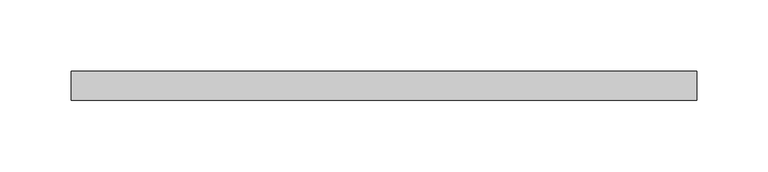
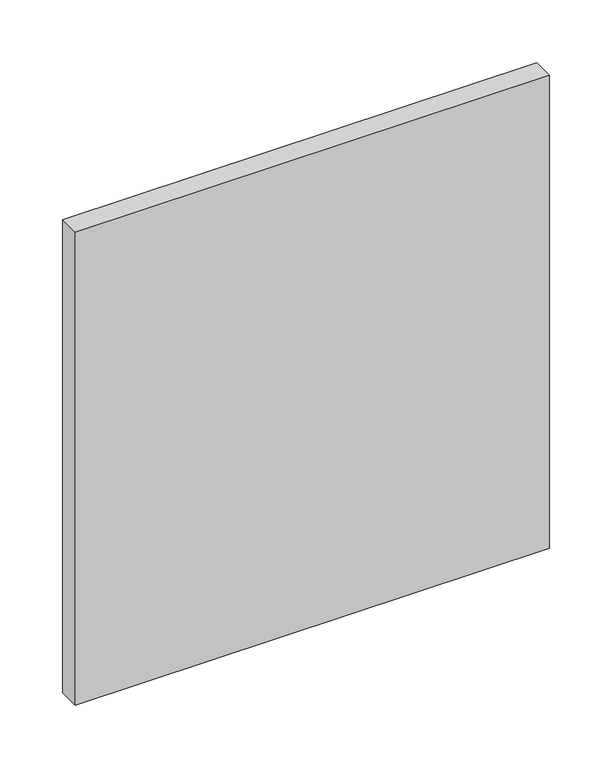
"""IFC4 building model written with IfcOpenShell, lengths in millimetres: plate geometry."""

from ifc_helpers import new_model, si_unit, origin, origin_with_axes, place, context, project, spatial, polyline, outline, extrude, source, transform, mapped, element, save


def plate_fbc67f36(model_context):
    return source(origin(), model_context, "Body", "SweptSolid", [
        extrude(outline(polyline([(218.75, 70.0), (-218.75, 70.0), (-218.75, 90.0), (218.75, 90.0), (218.75, 70.0)])), origin_with_axes(), (0.0, 0.0, 1.0), 461.0),
    ])


if __name__ == "__main__":
    model = new_model("IFC4")
    model_context = context("Model", 3, world=origin())
    ifc_project = project(units=[si_unit("LENGTHUNIT", "METRE", prefix="MILLI")], contexts=[model_context])
    site = spatial("IfcSite", under=ifc_project)
    building = spatial("IfcBuilding", under=site)
    placement = place(None, origin())
    plate_shape = plate_fbc67f36(model_context)
    element("IfcPlate", 1, at=placement, inside=building, context=model_context, shape_type="MappedRepresentation", body=[
        mapped(plate_shape, transform((0.0, 0.0, 0.0), x_axis=(1.0, 0.0, 0.0), y_axis=(0.0, 1.0, 0.0), z_axis=(0.0, 0.0, 1.0))),
    ])
    save(model, "model.ifc")
